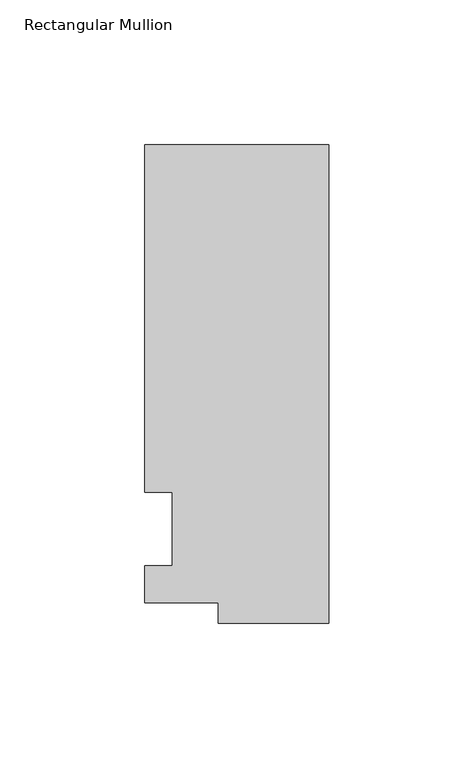
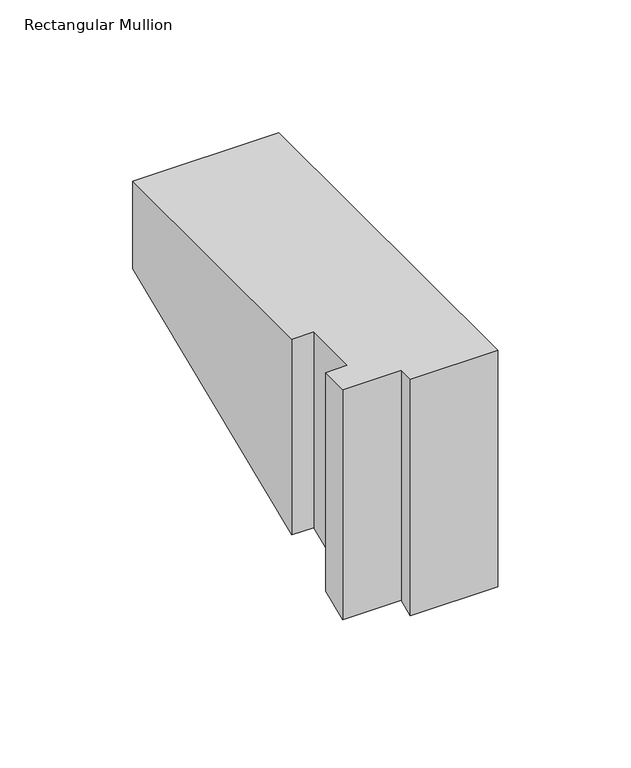
"""IFC4 building model written with IfcOpenShell, lengths in millimetres: member geometry, Rectangular Mullion."""

from ifc_helpers import new_model, si_unit, origin, place, context, project, spatial, faceted_brep, source, transform, mapped, element, save


def rectangular_mullion_af91558d(model_context):
    return source(origin(), model_context, "Body", "Brep", [
        faceted_brep([(-38.1, -32.54375, 0.0), (0.0, -32.54375, 0.0), (0.0, 132.55625, 0.0), (-63.5, 132.55625, 0.0), (-63.5, 12.7, 0.0), (-53.975, 12.7, 0.0), (-53.975, -12.7, 0.0), (-63.5, -12.7, 0.0), (-63.5, -25.58415, 0.0), (-38.1, -25.58415, 0.0), (-38.1, -32.54375, -108.7300626), (0.0, -32.54375, -108.7300626), (0.0, 132.55625, -40.3434035), (-63.5, 132.55625, -40.3434035), (-63.5, 12.7, -89.9894878), (-53.975, 12.7, -89.9894878), (-53.975, -12.7, -100.5105122), (-63.5, -12.7, -100.5105122), (-63.5, -25.58415, -105.8473019), (-38.1, -25.58415, -105.8473019)], [[[0, 1, 2, 3, 4, 5, 6, 7, 8, 9]], [[1, 0, 10, 11]], [[2, 1, 11, 12]], [[3, 2, 12, 13]], [[4, 3, 13, 14]], [[5, 4, 14, 15]], [[6, 5, 15, 16]], [[7, 6, 16, 17]], [[8, 7, 17, 18]], [[9, 8, 18, 19]], [[0, 9, 19, 10]], [[10, 19, 18, 17, 16, 15, 14, 13, 12, 11]]]),
    ])


if __name__ == "__main__":
    model = new_model("IFC4")
    model_context = context("Model", 3, world=origin())
    ifc_project = project(units=[si_unit("LENGTHUNIT", "METRE", prefix="MILLI")], contexts=[model_context])
    site = spatial("IfcSite", under=ifc_project)
    building = spatial("IfcBuilding", under=site)
    placement = place(None, origin())
    rectangular_mullion_shape = rectangular_mullion_af91558d(model_context)
    element("IfcMember", 1, ObjectType="Rectangular Mullion", at=placement, inside=building, context=model_context, shape_type="MappedRepresentation", body=[
        mapped(rectangular_mullion_shape, transform((0.0, 0.0, 0.0), x_axis=(1.0, 0.0, 0.0), y_axis=(0.0, 1.0, 0.0), z_axis=(0.0, 0.0, 1.0))),
    ])
    save(model, "model.ifc")
